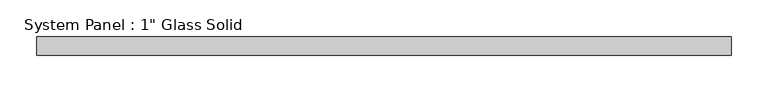
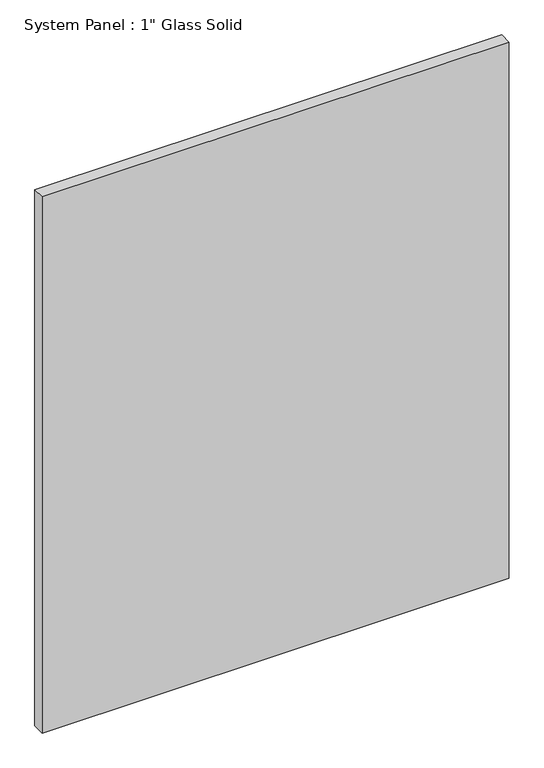
"""IFC4 building model written with IfcOpenShell, lengths in millimetres: plate geometry."""

from ifc_helpers import new_model, si_unit, origin, origin_with_axes, place, context, project, spatial, polyline, outline, extrude, source, transform, mapped, element, save


def plate_90507c9d(model_context):
    return source(origin(), model_context, "Body", "SweptSolid", [
        extrude(outline(polyline([(475.6720691, -12.7), (-475.6720691, -12.7), (-475.6720691, 12.7), (475.6720691, 12.7), (475.6720691, -12.7)])), origin_with_axes(), (0.0, 0.0, 1.0), 1154.5441382),
    ])


if __name__ == "__main__":
    model = new_model("IFC4")
    model_context = context("Model", 3, world=origin())
    ifc_project = project(units=[si_unit("LENGTHUNIT", "METRE", prefix="MILLI")], contexts=[model_context])
    site = spatial("IfcSite", under=ifc_project)
    building = spatial("IfcBuilding", under=site)
    placement = place(None, origin())
    plate_shape = plate_90507c9d(model_context)
    element("IfcPlate", 1, ObjectType="System Panel : 1\" Glass Solid", at=placement, inside=building, context=model_context, shape_type="MappedRepresentation", body=[
        mapped(plate_shape, transform((0.0, 0.0, 0.0), x_axis=(1.0, 0.0, 0.0), y_axis=(0.0, 1.0, 0.0), z_axis=(0.0, 0.0, 1.0))),
    ])
    save(model, "model.ifc")
